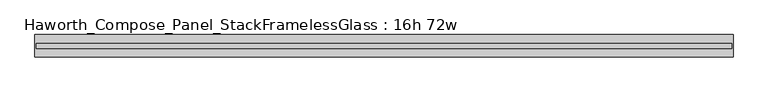
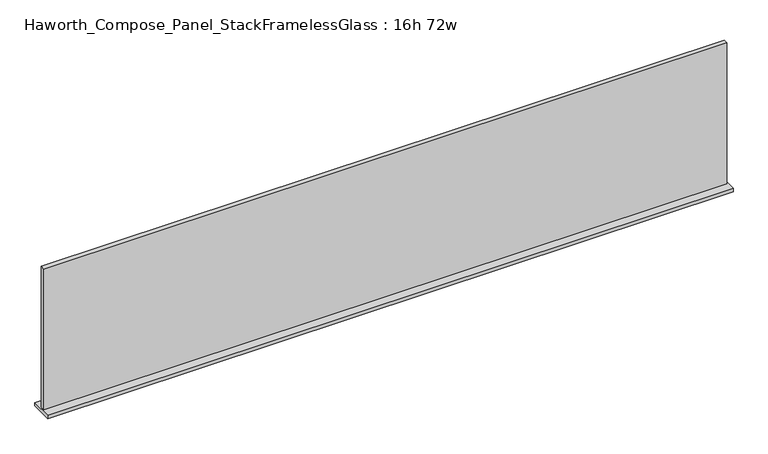
"""IFC4 building model written with IfcOpenShell, lengths in millimetres: furniture geometry, Haworth_Compose_Panel_StackFramelessGlass : 16h 72w."""

from ifc_helpers import new_model, si_unit, frame, origin, place, context, project, spatial, polyline, outline, extrude, source, transform, mapped, element, save


def haworth_compose_panel_stackframelessglass_16h_72w_d2344e41(model_context):
    return source(origin(), model_context, "Body", "SweptSolid", [
        extrude(outline(polyline([(913.6652902, -27.3093594), (-908.7847098, -27.3093594), (-908.7847098, -14.6093594), (913.6652902, -14.6093594), (913.6652902, -27.3093594)])), frame((0.0, 0.0, 1279.525), z_axis=(0.0, 0.0, 1.0), x_axis=(1.0, 0.0, 0.0)), (0.0, 0.0, 1.0), 396.875),
        extrude(outline(polyline([(-911.9597098, -50.3281094), (-911.9597098, 8.4093906), (916.8402902, 8.4093906), (916.8402902, -50.3281094), (-911.9597098, -50.3281094)])), frame((0.0, 0.0, 1270.0), z_axis=(0.0, 0.0, 1.0), x_axis=(1.0, 0.0, 0.0)), (0.0, 0.0, 1.0), 9.525),
    ])


if __name__ == "__main__":
    model = new_model("IFC4")
    model_context = context("Model", 3, world=origin())
    ifc_project = project(units=[si_unit("LENGTHUNIT", "METRE", prefix="MILLI")], contexts=[model_context])
    site = spatial("IfcSite", under=ifc_project)
    building = spatial("IfcBuilding", under=site)
    placement = place(None, origin())
    haworth_compose_panel_stackframelessglass_16h_72w_shape = haworth_compose_panel_stackframelessglass_16h_72w_d2344e41(model_context)
    element("IfcFurniture", 1, ObjectType="Haworth_Compose_Panel_StackFramelessGlass : 16h 72w", at=placement, inside=building, context=model_context, shape_type="MappedRepresentation", body=[
        mapped(haworth_compose_panel_stackframelessglass_16h_72w_shape, transform((0.0, 0.0, 0.0), x_axis=(1.0, 0.0, 0.0), y_axis=(0.0, 1.0, 0.0), z_axis=(0.0, 0.0, 1.0))),
    ])
    save(model, "model.ifc")
